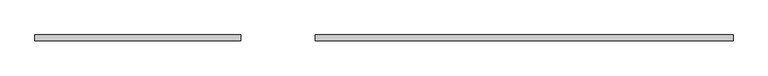
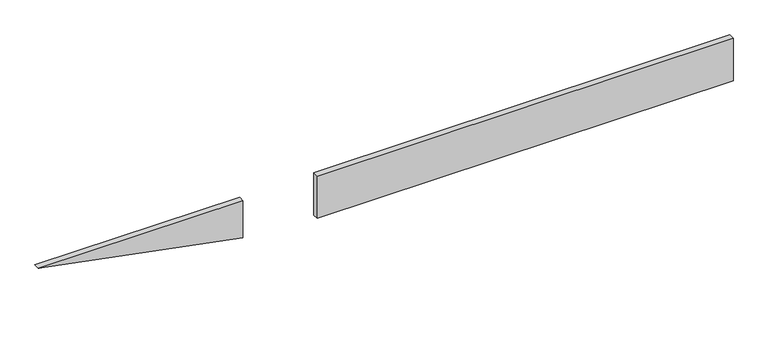
"""IFC4 building model written with IfcOpenShell, lengths in millimetres: plate geometry."""

from ifc_helpers import new_model, si_unit, frame, origin, origin_with_axes, place, context, project, spatial, polyline, outline, extrude, source, transform, mapped, element, save


def plate_93c21338(model_context):
    return source(origin(), model_context, "Body", "SweptSolid", [
        extrude(outline(polyline([(1162.3602462, 20.0), (-228.9634239, 20.0), (-228.9634239, 40.0), (1162.3602462, 40.0), (1162.3602462, 20.0)])), origin_with_axes(), (0.0, 0.0, 1.0), 150.0),
        extrude(outline(polyline([(150.0, -1162.3602462), (19.0175622, -477.6793212), (150.0, -477.6793212), (150.0, -1162.3602462)])), frame((0.0, 20.0, 0.0), z_axis=(0.0, 1.0, 0.0), x_axis=(0.0, 0.0, 1.0)), (0.0, 0.0, 1.0), 20.0),
    ])


if __name__ == "__main__":
    model = new_model("IFC4")
    model_context = context("Model", 3, world=origin())
    ifc_project = project(units=[si_unit("LENGTHUNIT", "METRE", prefix="MILLI")], contexts=[model_context])
    site = spatial("IfcSite", under=ifc_project)
    building = spatial("IfcBuilding", under=site)
    placement = place(None, origin())
    plate_shape = plate_93c21338(model_context)
    element("IfcPlate", 1, at=placement, inside=building, context=model_context, shape_type="MappedRepresentation", body=[
        mapped(plate_shape, transform((0.0, 0.0, 0.0), x_axis=(1.0, 0.0, 0.0), y_axis=(0.0, 1.0, 0.0), z_axis=(0.0, 0.0, 1.0))),
    ])
    save(model, "model.ifc")
